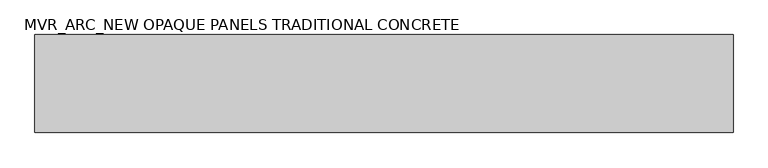
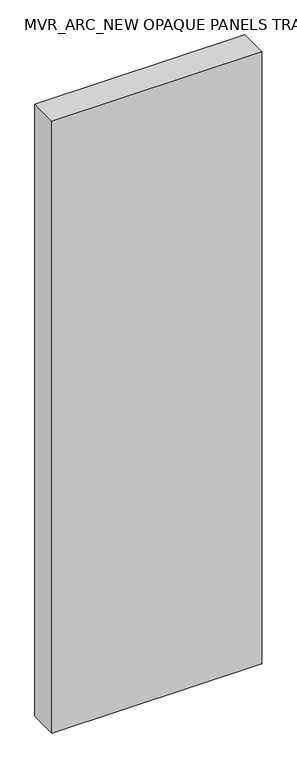
"""IFC4 building model written with IfcOpenShell, lengths in millimetres: plate geometry, MVR_ARC_NEW OPAQUE PANELS TRADITIONAL CONCRETE."""

from ifc_helpers import new_model, si_unit, origin, origin_with_axes, place, context, project, spatial, polyline, outline, extrude, source, transform, mapped, element, save


def mvr_arc_new_opaque_panels_traditional_concrete_720a76ce(model_context):
    return source(origin(), model_context, "Body", "SweptSolid", [
        extrude(outline(polyline([(747.6308134, -150.0), (-747.6308134, -150.0), (-747.6308134, 60.0), (747.6308134, 60.0), (747.6308134, -150.0)])), origin_with_axes(), (0.0, 0.0, 1.0), 4604.4),
    ])


if __name__ == "__main__":
    model = new_model("IFC4")
    model_context = context("Model", 3, world=origin())
    ifc_project = project(units=[si_unit("LENGTHUNIT", "METRE", prefix="MILLI")], contexts=[model_context])
    site = spatial("IfcSite", under=ifc_project)
    building = spatial("IfcBuilding", under=site)
    placement = place(None, origin())
    mvr_arc_new_opaque_panels_traditional_concrete_shape = mvr_arc_new_opaque_panels_traditional_concrete_720a76ce(model_context)
    element("IfcPlate", 1, ObjectType="MVR_ARC_NEW OPAQUE PANELS TRADITIONAL CONCRETE", at=placement, inside=building, context=model_context, shape_type="MappedRepresentation", body=[
        mapped(mvr_arc_new_opaque_panels_traditional_concrete_shape, transform((0.0, 0.0, 0.0), x_axis=(1.0, 0.0, 0.0), y_axis=(0.0, 1.0, 0.0), z_axis=(0.0, 0.0, 1.0))),
    ])
    save(model, "model.ifc")
